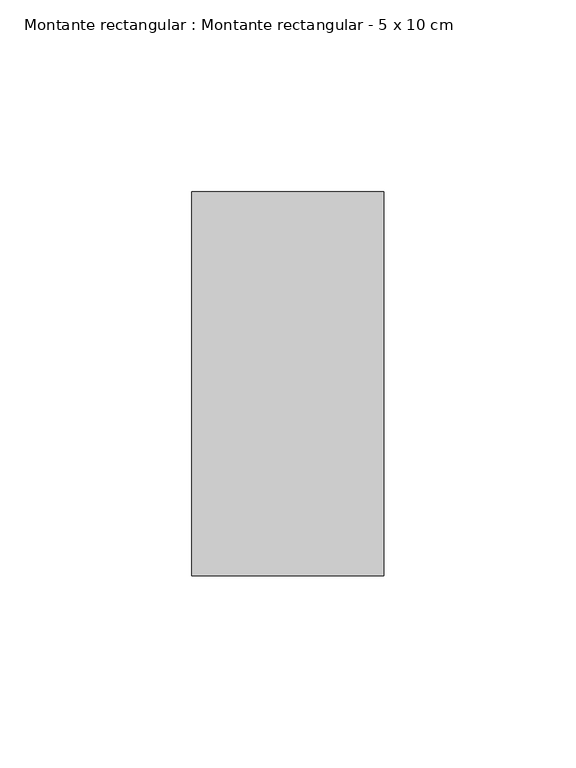
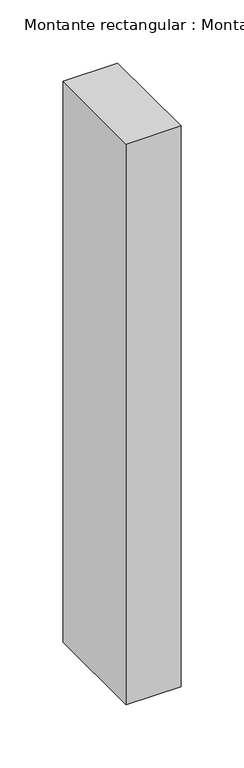
"""IFC4 building model written with IfcOpenShell, lengths in millimetres: member geometry, Montante rectangular : Montante rectangular - 5 x 10 cm."""

from ifc_helpers import new_model, si_unit, frame, origin, place, context, project, spatial, polyline, outline, extrude, source, transform, mapped, element, save


def montante_rectangular_montante_rectangular_5_x_10_cm_6f41909e(model_context):
    return source(origin(), model_context, "Body", "SweptSolid", [
        extrude(outline(polyline([(0.0, 50.0), (0.0, -50.0), (-50.0, -50.0), (-50.0, 50.0), (0.0, 50.0)])), frame((0.0, 0.0, -542.0), z_axis=(0.0, 0.0, 1.0), x_axis=(1.0, 0.0, 0.0)), (0.0, 0.0, 1.0), 542.0),
    ])


if __name__ == "__main__":
    model = new_model("IFC4")
    model_context = context("Model", 3, world=origin())
    ifc_project = project(units=[si_unit("LENGTHUNIT", "METRE", prefix="MILLI")], contexts=[model_context])
    site = spatial("IfcSite", under=ifc_project)
    building = spatial("IfcBuilding", under=site)
    placement = place(None, origin())
    montante_rectangular_montante_rectangular_5_x_10_cm_shape = montante_rectangular_montante_rectangular_5_x_10_cm_6f41909e(model_context)
    element("IfcMember", 1, ObjectType="Montante rectangular : Montante rectangular - 5 x 10 cm", at=placement, inside=building, context=model_context, shape_type="MappedRepresentation", body=[
        mapped(montante_rectangular_montante_rectangular_5_x_10_cm_shape, transform((0.0, 0.0, 0.0), x_axis=(1.0, 0.0, 0.0), y_axis=(0.0, 1.0, 0.0), z_axis=(0.0, 0.0, 1.0))),
    ])
    save(model, "model.ifc")
